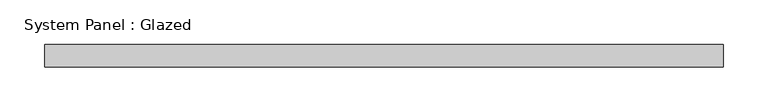
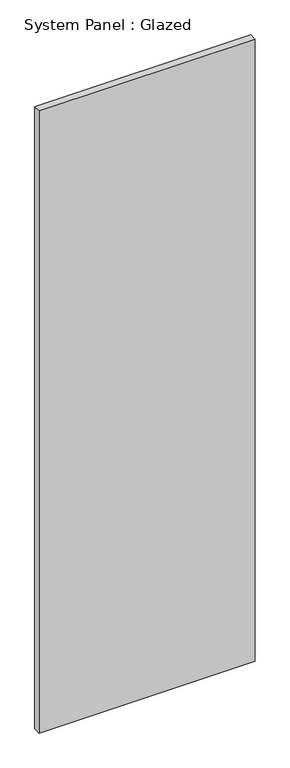
"""IFC4 building model written with IfcOpenShell, lengths in millimetres: plate geometry, System Panel : Glazed."""

from ifc_helpers import new_model, si_unit, origin, origin_with_axes, place, context, project, spatial, polyline, outline, extrude, source, transform, mapped, element, save


def system_panel_glazed_e0eba23c(model_context):
    return source(origin(), model_context, "Body", "SweptSolid", [
        extrude(outline(polyline([(378.2142857, -49.5), (-378.2142857, -49.5), (-378.2142857, -24.5), (378.2142857, -24.5), (378.2142857, -49.5)])), origin_with_axes(), (0.0, 0.0, 1.0), 2300.0),
    ])


if __name__ == "__main__":
    model = new_model("IFC4")
    model_context = context("Model", 3, world=origin())
    ifc_project = project(units=[si_unit("LENGTHUNIT", "METRE", prefix="MILLI")], contexts=[model_context])
    site = spatial("IfcSite", under=ifc_project)
    building = spatial("IfcBuilding", under=site)
    placement = place(None, origin())
    system_panel_glazed_shape = system_panel_glazed_e0eba23c(model_context)
    element("IfcPlate", 1, ObjectType="System Panel : Glazed", at=placement, inside=building, context=model_context, shape_type="MappedRepresentation", body=[
        mapped(system_panel_glazed_shape, transform((0.0, 0.0, 0.0), x_axis=(1.0, 0.0, 0.0), y_axis=(0.0, 1.0, 0.0), z_axis=(0.0, 0.0, 1.0))),
    ])
    save(model, "model.ifc")
